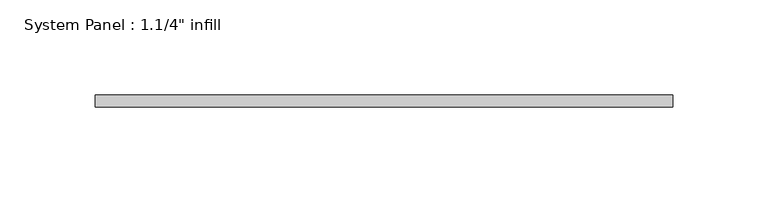
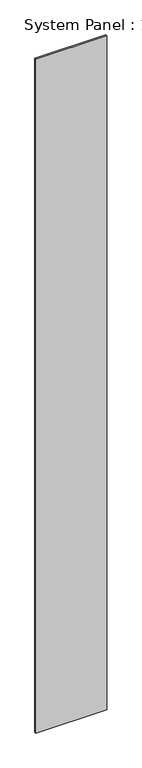
"""IFC4 building model written with IfcOpenShell, lengths in millimetres: plate geometry."""

from ifc_helpers import new_model, si_unit, origin, origin_with_axes, place, context, project, spatial, polyline, outline, extrude, source, transform, mapped, element, save


def plate_4b42aa21(model_context):
    return source(origin(), model_context, "Body", "SweptSolid", [
        extrude(outline(polyline([(151.7676649, -6.2507813), (-151.7676649, -6.2507813), (-151.7676649, 0.0992187), (151.7676649, 0.0992187), (151.7676649, -6.2507813)])), origin_with_axes(), (0.0, 0.0, 1.0), 3048.0),
    ])


if __name__ == "__main__":
    model = new_model("IFC4")
    model_context = context("Model", 3, world=origin())
    ifc_project = project(units=[si_unit("LENGTHUNIT", "METRE", prefix="MILLI")], contexts=[model_context])
    site = spatial("IfcSite", under=ifc_project)
    building = spatial("IfcBuilding", under=site)
    placement = place(None, origin())
    plate_shape = plate_4b42aa21(model_context)
    element("IfcPlate", 1, ObjectType="System Panel : 1.1/4\" infill", at=placement, inside=building, context=model_context, shape_type="MappedRepresentation", body=[
        mapped(plate_shape, transform((0.0, 0.0, 0.0), x_axis=(1.0, 0.0, 0.0), y_axis=(0.0, 1.0, 0.0), z_axis=(0.0, 0.0, 1.0))),
    ])
    save(model, "model.ifc")
